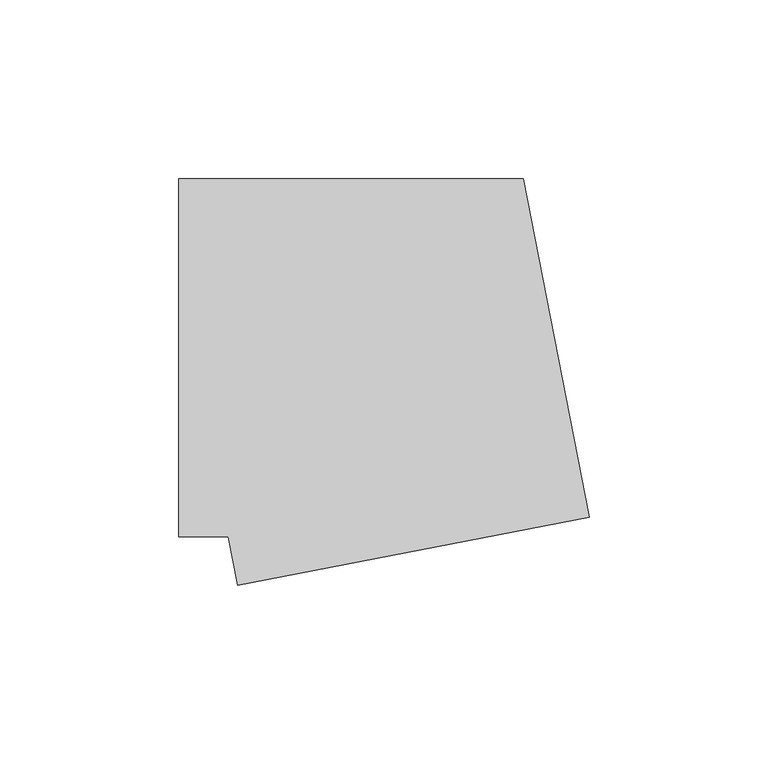
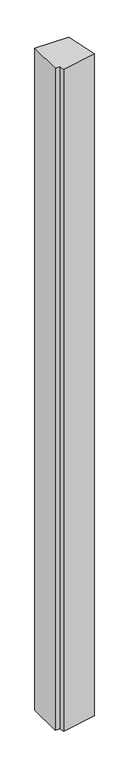
"""IFC4 building model written with IfcOpenShell, lengths in millimetres: member geometry."""

from ifc_helpers import new_model, si_unit, frame, origin, place, context, project, spatial, polyline, outline, extrude, source, transform, mapped, element, save


def member_a7de9335(model_context):
    return source(origin(), model_context, "Body", "SweptSolid", [
        extrude(outline(polyline([(-38.5868644, -63.5299449), (-41.2168193, -50.0), (-55.0, -50.0), (-55.0, 50.0), (41.2168193, 50.0), (59.5758539, -44.4490453), (-38.5868644, -63.5299449)])), frame((0.0, 0.0, -2000.0), z_axis=(0.0, 0.0, 1.0), x_axis=(1.0, 0.0, 0.0)), (0.0, 0.0, 1.0), 2000.0),
    ])


if __name__ == "__main__":
    model = new_model("IFC4")
    model_context = context("Model", 3, world=origin())
    ifc_project = project(units=[si_unit("LENGTHUNIT", "METRE", prefix="MILLI")], contexts=[model_context])
    site = spatial("IfcSite", under=ifc_project)
    building = spatial("IfcBuilding", under=site)
    placement = place(None, origin())
    member_shape = member_a7de9335(model_context)
    element("IfcMember", 1, at=placement, inside=building, context=model_context, shape_type="MappedRepresentation", body=[
        mapped(member_shape, transform((0.0, 0.0, 0.0), x_axis=(1.0, 0.0, 0.0), y_axis=(0.0, 1.0, 0.0), z_axis=(0.0, 0.0, 1.0))),
    ])
    save(model, "model.ifc")
